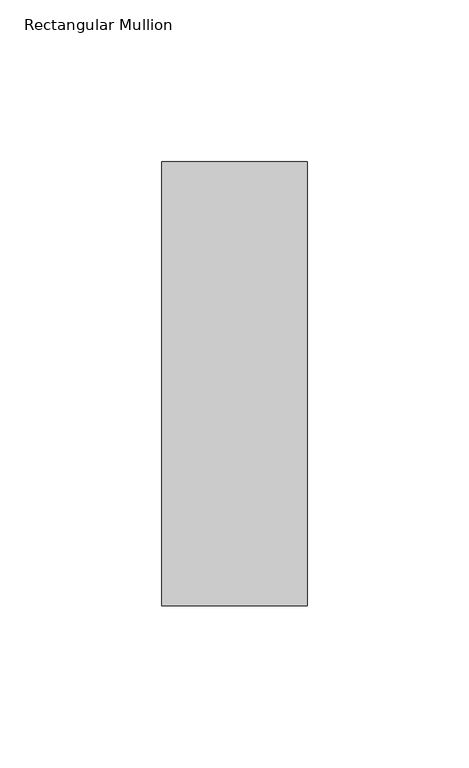
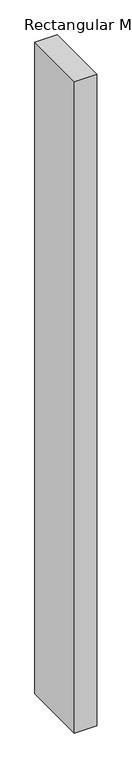
"""IFC4 building model written with IfcOpenShell, lengths in millimetres: member geometry, Rectangular Mullion."""

from ifc_helpers import new_model, si_unit, frame, origin, place, context, project, spatial, polyline, outline, extrude, source, transform, mapped, element, save


def rectangular_mullion_030bcaf3(model_context):
    return source(origin(), model_context, "Body", "SweptSolid", [
        extrude(outline(polyline([(-45.0, 84.19375), (0.0, 84.19375), (0.0, -53.19375), (-45.0, -53.19375), (-45.0, 84.19375)])), frame((0.0, 0.0, -1380.7691406), z_axis=(0.0, 0.0, 1.0), x_axis=(1.0, 0.0, 0.0)), (0.0, 0.0, 1.0), 1380.7691406),
    ])


if __name__ == "__main__":
    model = new_model("IFC4")
    model_context = context("Model", 3, world=origin())
    ifc_project = project(units=[si_unit("LENGTHUNIT", "METRE", prefix="MILLI")], contexts=[model_context])
    site = spatial("IfcSite", under=ifc_project)
    building = spatial("IfcBuilding", under=site)
    placement = place(None, origin())
    rectangular_mullion_shape = rectangular_mullion_030bcaf3(model_context)
    element("IfcMember", 1, ObjectType="Rectangular Mullion", at=placement, inside=building, context=model_context, shape_type="MappedRepresentation", body=[
        mapped(rectangular_mullion_shape, transform((0.0, 0.0, 0.0), x_axis=(1.0, 0.0, 0.0), y_axis=(0.0, 1.0, 0.0), z_axis=(0.0, 0.0, 1.0))),
    ])
    save(model, "model.ifc")
